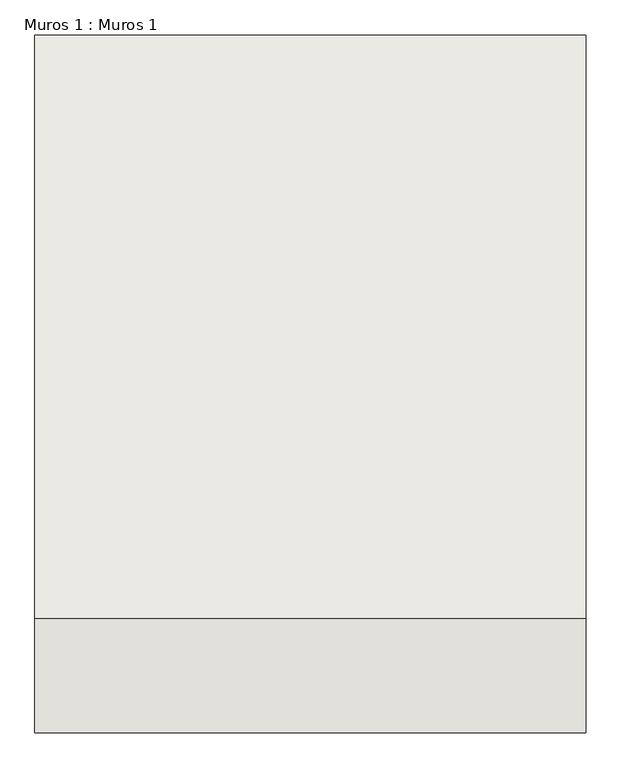
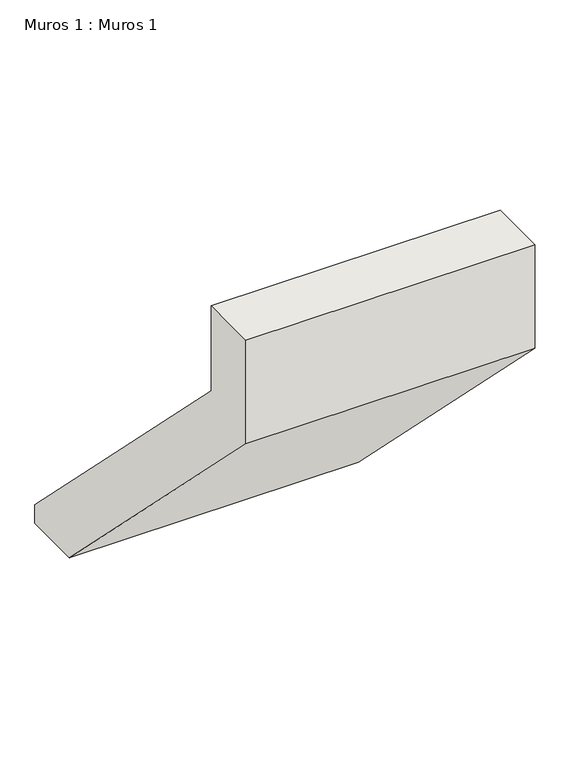
"""IFC4 building model written with IfcOpenShell, lengths in millimetres: wall geometry, Muros 1 : Muros 1."""

from ifc_helpers import new_model, si_unit, frame, origin, place, context, project, spatial, polyline, outline, extrude, source, transform, mapped, element, save


def muros_1_muros_1_8c7b294f(model_context):
    return source(origin(), model_context, "Body", "SweptSolid", [
        extrude(outline(polyline([(11576.4705882, 3300.0), (11276.4705882, 3300.0), (9741.1764706, 4835.2941176), (9741.1764706, 5384.6786177), (10041.1764706, 5384.6786177), (10041.1764706, 4933.8431456), (11576.4705882, 3398.549028), (11576.4705882, 3300.0)])), frame((72729.3852488, 0.0, 0.0), z_axis=(1.0, 0.0, 0.0), x_axis=(0.0, 1.0, 0.0)), (0.0, 0.0, 1.0), 1450.0),
    ])


if __name__ == "__main__":
    model = new_model("IFC4")
    model_context = context("Model", 3, world=origin())
    ifc_project = project(units=[si_unit("LENGTHUNIT", "METRE", prefix="MILLI")], contexts=[model_context])
    site = spatial("IfcSite", under=ifc_project)
    building = spatial("IfcBuilding", under=site)
    placement = place(None, origin())
    muros_1_muros_1_shape = muros_1_muros_1_8c7b294f(model_context)
    element("IfcWall", 1, ObjectType="Muros 1 : Muros 1", at=placement, inside=building, context=model_context, shape_type="MappedRepresentation", body=[
        mapped(muros_1_muros_1_shape, transform((0.0, 0.0, 0.0), x_axis=(1.0, 0.0, 0.0), y_axis=(0.0, 1.0, 0.0), z_axis=(0.0, 0.0, 1.0))),
    ])
    save(model, "model.ifc")
